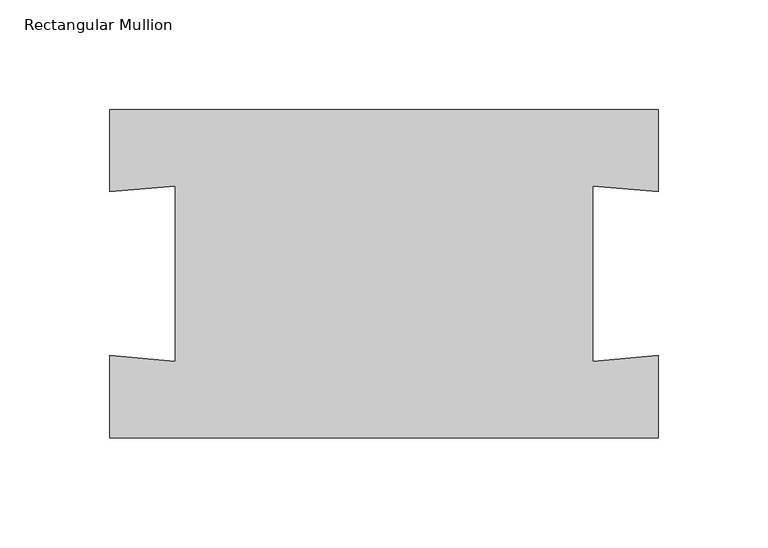
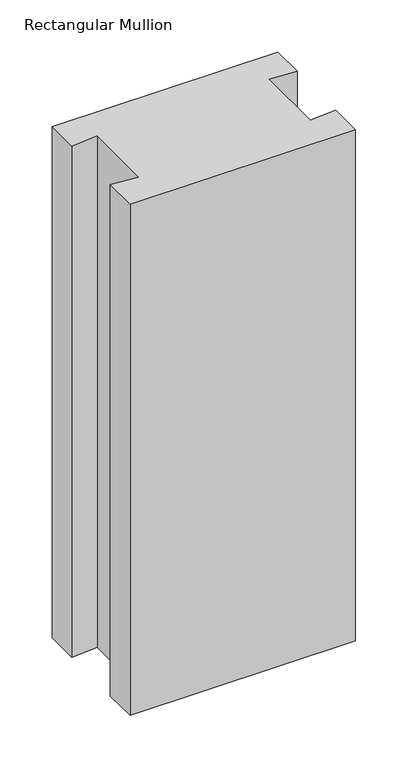
"""IFC4 building model written with IfcOpenShell, lengths in millimetres: member geometry, Rectangular Mullion."""

from ifc_helpers import new_model, si_unit, frame, origin, place, context, project, spatial, polyline, outline, extrude, source, transform, mapped, element, save


def rectangular_mullion_b73ac8e8(model_context):
    return source(origin(), model_context, "Body", "SweptSolid", [
        extrude(outline(polyline([(0.0, 74.8456117), (0.0, 37.3786672), (-29.8858409, 39.9933394), (-29.8858409, -39.970903), (0.0, -37.3562308), (0.0, -74.8995482), (-250.0, -74.8995482), (-250.0, -37.3853277), (-220.1141591, -40.0), (-220.1141591, 40.0), (-250.0, 37.3853277), (-250.0, 74.8456117), (0.0, 74.8456117)])), frame((0.0, 0.0, -600.0), z_axis=(0.0, 0.0, 1.0), x_axis=(1.0, 0.0, 0.0)), (0.0, 0.0, 1.0), 600.0),
    ])


if __name__ == "__main__":
    model = new_model("IFC4")
    model_context = context("Model", 3, world=origin())
    ifc_project = project(units=[si_unit("LENGTHUNIT", "METRE", prefix="MILLI")], contexts=[model_context])
    site = spatial("IfcSite", under=ifc_project)
    building = spatial("IfcBuilding", under=site)
    placement = place(None, origin())
    rectangular_mullion_shape = rectangular_mullion_b73ac8e8(model_context)
    element("IfcMember", 1, ObjectType="Rectangular Mullion", at=placement, inside=building, context=model_context, shape_type="MappedRepresentation", body=[
        mapped(rectangular_mullion_shape, transform((0.0, 0.0, 0.0), x_axis=(1.0, 0.0, 0.0), y_axis=(0.0, 1.0, 0.0), z_axis=(0.0, 0.0, 1.0))),
    ])
    save(model, "model.ifc")
